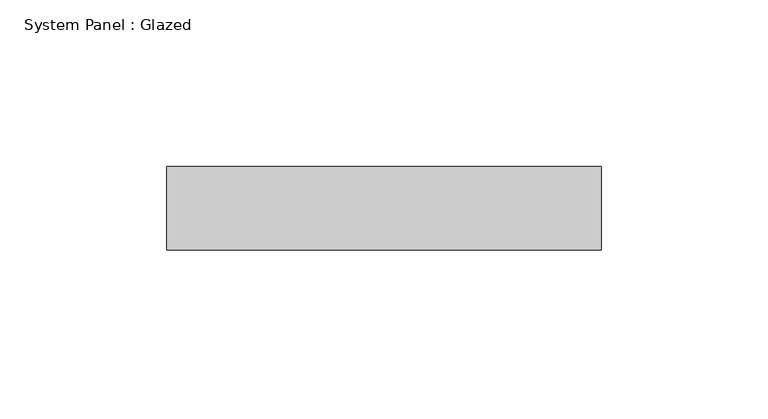
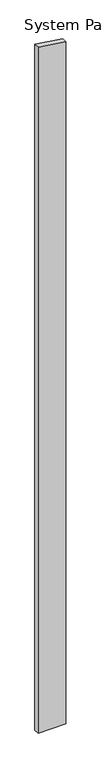
"""IFC4 building model written with IfcOpenShell, lengths in millimetres: plate geometry, System Panel : Glazed."""

from ifc_helpers import new_model, si_unit, frame, origin, place, context, project, spatial, polyline, outline, extrude, source, transform, mapped, element, save


def system_panel_glazed_4dc19b81(model_context):
    return source(origin(), model_context, "Body", "SweptSolid", [
        extrude(outline(polyline([(0.0, -65.0), (0.0, 65.0), (3363.7533109, 65.0), (3383.0050865, -65.0), (0.0, -65.0)])), frame((0.0, 24.5, 0.0), z_axis=(0.0, 1.0, 0.0), x_axis=(0.0, 0.0, 1.0)), (0.0, 0.0, 1.0), 25.0),
    ])


if __name__ == "__main__":
    model = new_model("IFC4")
    model_context = context("Model", 3, world=origin())
    ifc_project = project(units=[si_unit("LENGTHUNIT", "METRE", prefix="MILLI")], contexts=[model_context])
    site = spatial("IfcSite", under=ifc_project)
    building = spatial("IfcBuilding", under=site)
    placement = place(None, origin())
    system_panel_glazed_shape = system_panel_glazed_4dc19b81(model_context)
    element("IfcPlate", 1, ObjectType="System Panel : Glazed", at=placement, inside=building, context=model_context, shape_type="MappedRepresentation", body=[
        mapped(system_panel_glazed_shape, transform((0.0, 0.0, 0.0), x_axis=(1.0, 0.0, 0.0), y_axis=(0.0, 1.0, 0.0), z_axis=(0.0, 0.0, 1.0))),
    ])
    save(model, "model.ifc")
